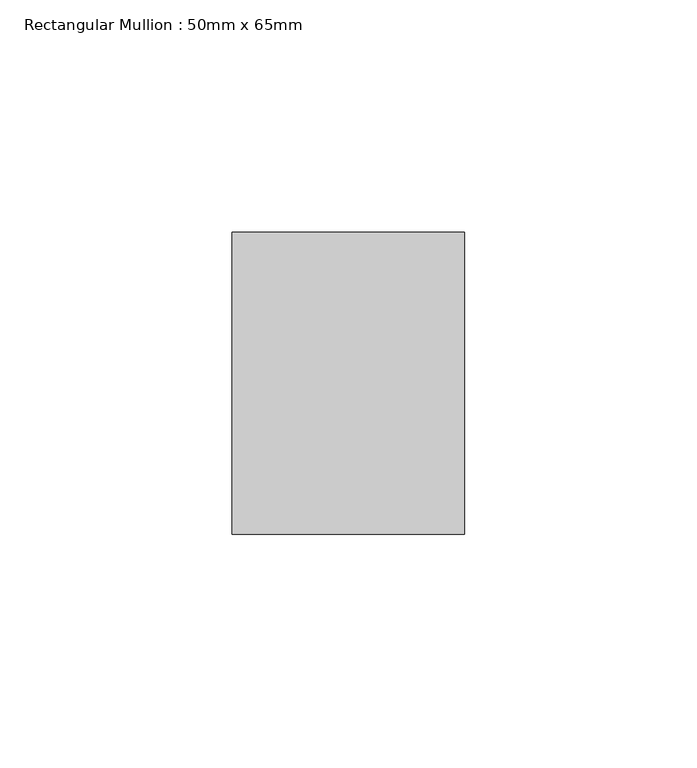
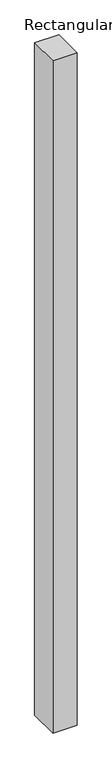
"""IFC4 building model written with IfcOpenShell, lengths in millimetres: member geometry, Rectangular Mullion : 50mm x 65mm."""

from ifc_helpers import new_model, si_unit, frame, origin, place, context, project, spatial, polyline, outline, extrude, source, transform, mapped, element, save


def rectangular_mullion_50mm_x_65mm_c7769310(model_context):
    return source(origin(), model_context, "Body", "SweptSolid", [
        extrude(outline(polyline([(25.0, 32.5), (25.0, -32.5), (-25.0, -32.5), (-25.0, 32.5), (25.0, 32.5)])), frame((0.0, 0.0, -1473.7161247), z_axis=(0.0, 0.0, 1.0), x_axis=(1.0, 0.0, 0.0)), (0.0, 0.0, 1.0), 1473.7161247),
    ])


if __name__ == "__main__":
    model = new_model("IFC4")
    model_context = context("Model", 3, world=origin())
    ifc_project = project(units=[si_unit("LENGTHUNIT", "METRE", prefix="MILLI")], contexts=[model_context])
    site = spatial("IfcSite", under=ifc_project)
    building = spatial("IfcBuilding", under=site)
    placement = place(None, origin())
    rectangular_mullion_50mm_x_65mm_shape = rectangular_mullion_50mm_x_65mm_c7769310(model_context)
    element("IfcMember", 1, ObjectType="Rectangular Mullion : 50mm x 65mm", at=placement, inside=building, context=model_context, shape_type="MappedRepresentation", body=[
        mapped(rectangular_mullion_50mm_x_65mm_shape, transform((0.0, 0.0, 0.0), x_axis=(1.0, 0.0, 0.0), y_axis=(0.0, 1.0, 0.0), z_axis=(0.0, 0.0, 1.0))),
    ])
    save(model, "model.ifc")
